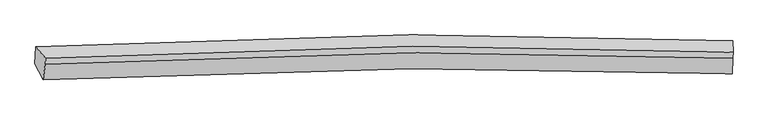
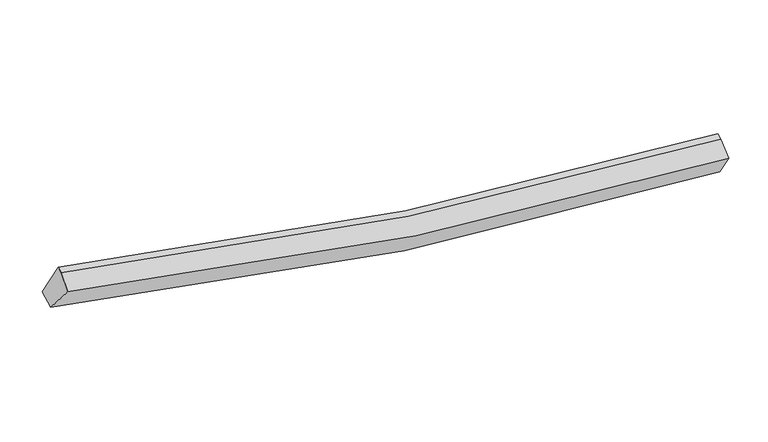
"""IFC4 building model written with IfcOpenShell, lengths in millimetres: proxy geometry."""

import ifcopenshell
import ifcopenshell.guid

model = None  # the IFC model being written
_history = None  # IfcOwnerHistory: only IFC2X3 demands one
_inside = {}  # id of a spatial element -> (the spatial element, [elements in it])
_under = {}  # id of a project, library or spatial element -> (it, [spatial elements below it])
_declared = {}  # id of a project -> (the project, [libraries it declares])
_typed = {}  # id of a type object -> (the type object, [elements of that type])
_made_of = {}  # id of a material, layer set ... -> (it, [elements and type objects made of it])


def new_model(schema):
    """Start an empty IFC model of exactly this schema.

    Asked for "IFC4X3", IfcOpenShell would pick the latest addendum, in which some entities
    have other attributes; the version numbers below select the first issue.
    IFC2X3 requires an IfcOwnerHistory on every rooted entity: one is made here for all.
    """
    global model, _history
    if schema == "IFC4X3":
        model = ifcopenshell.file(schema_version=(4, 3, 0, 0))
    else:
        model = ifcopenshell.file(schema=schema)
    _inside.clear()
    _under.clear()
    _declared.clear()
    _typed.clear()
    _made_of.clear()
    _history = None
    if model.schema == "IFC2X3":
        org = make("IfcOrganization", Name="unknown")
        user = make(
            "IfcPersonAndOrganization",
            ThePerson=make("IfcPerson", FamilyName="unknown"),
            TheOrganization=org,
        )
        app = make(
            "IfcApplication",
            ApplicationDeveloper=org,
            Version="unknown",
            ApplicationFullName="unknown",
            ApplicationIdentifier="unknown",
        )
        _history = make(
            "IfcOwnerHistory",
            OwningUser=user,
            OwningApplication=app,
            ChangeAction="ADDED",
            CreationDate=0,
        )
    return model


def make(cls, **values):
    """One entity of the class cls with the attributes given. An attribute that is None is left unset."""
    return model.create_entity(
        cls, **{name: value for name, value in values.items() if value is not None}
    )


def rooted(cls, **values):
    """An entity with a GlobalId (a new one), such as an element, a storey or a relation."""
    return make(cls, GlobalId=ifcopenshell.guid.new(), OwnerHistory=_history, **values)


def si_unit(unit_type, name, prefix=None):
    """IfcSIUnit, for example si_unit("LENGTHUNIT", "METRE", prefix="MILLI")."""
    return make("IfcSIUnit", UnitType=unit_type, Prefix=prefix, Name=name)


def assignment(units):
    """IfcUnitAssignment: the units of a project."""
    return None if units is None else make("IfcUnitAssignment", Units=units)


def point(xyz):
    """IfcCartesianPoint."""
    return None if xyz is None else make("IfcCartesianPoint", Coordinates=xyz)


def direction(xyz):
    """IfcDirection."""
    return None if xyz is None else make("IfcDirection", DirectionRatios=xyz)


def frame(location, z_axis=None, x_axis=None):
    """IfcAxis2Placement3D, a coordinate frame: its origin and axes. An axis left out is left unset."""
    return make(
        "IfcAxis2Placement3D",
        Location=point(location),
        Axis=direction(z_axis),
        RefDirection=direction(x_axis),
    )


def origin():
    """The frame at (0, 0, 0) with its axes left unset."""
    return frame((0.0, 0.0, 0.0))


def place(relative_to, where):
    """IfcLocalPlacement: puts the frame where relative to a parent placement (None: the world)."""
    return make(
        "IfcLocalPlacement", PlacementRelTo=relative_to, RelativePlacement=where
    )


def context(
    kind, dimensions, precision=None, world=None, true_north=None, identifier=None
):
    """IfcGeometricRepresentationContext, for example the 3D "Model" context."""
    return make(
        "IfcGeometricRepresentationContext",
        ContextIdentifier=identifier,
        ContextType=kind,
        CoordinateSpaceDimension=dimensions,
        Precision=precision,
        WorldCoordinateSystem=world,
        TrueNorth=true_north,
    )


def project(units=None, contexts=None):
    """IfcProject with its units and contexts."""
    return rooted(
        "IfcProject",
        Name="project",
        RepresentationContexts=contexts,
        UnitsInContext=assignment(units),
    )


def spatial(cls, under=None, at=None, **own):
    """A site, building, storey or space (cls), placed at a placement, below another one or the project."""
    s = rooted(cls, ObjectPlacement=at, **own)
    if under is not None:
        _under.setdefault(under.id(), (under, []))[1].append(s)
    return s


def shape(context_of_items, identifier, shape_type, items):
    """IfcShapeRepresentation: the items that make up one representation, for example the "Body"."""
    return make(
        "IfcShapeRepresentation",
        ContextOfItems=context_of_items,
        RepresentationIdentifier=identifier,
        RepresentationType=shape_type,
        Items=items,
    )


def source(mapping_origin, context_of_items, identifier, shape_type, items):
    """IfcRepresentationMap: a shape defined once, which mapped items show again and again."""
    return make(
        "IfcRepresentationMap",
        MappingOrigin=mapping_origin,
        MappedRepresentation=shape(context_of_items, identifier, shape_type, items),
    )


def transform(
    local_origin,
    x_axis=None,
    y_axis=None,
    z_axis=None,
    scale=None,
    scale2=None,
    scale3=None,
    uniform=True,
):
    """IfcCartesianTransformationOperator3D, or its non-uniform kind. x_axis, y_axis, z_axis: its Axis1, 2, 3."""
    if uniform:
        return make(
            "IfcCartesianTransformationOperator3D",
            Axis1=direction(x_axis),
            Axis2=direction(y_axis),
            LocalOrigin=point(local_origin),
            Scale=scale,
            Axis3=direction(z_axis),
        )
    return make(
        "IfcCartesianTransformationOperator3DnonUniform",
        Axis1=direction(x_axis),
        Axis2=direction(y_axis),
        LocalOrigin=point(local_origin),
        Scale=scale,
        Axis3=direction(z_axis),
        Scale2=scale2,
        Scale3=scale3,
    )


def mapped(mapping_source, mapping_target):
    """IfcMappedItem: shows the shape of a source again, moved by a transform."""
    return make(
        "IfcMappedItem", MappingSource=mapping_source, MappingTarget=mapping_target
    )


def made_of(thing, what):
    """Note that an element or type object is made of a material, layer set ...; save() writes the relation."""
    if what is not None:
        _made_of.setdefault(what.id(), (what, []))[1].append(thing)
    return thing


def element(
    cls,
    number,
    at=None,
    inside=None,
    cuts=None,
    type_object=None,
    material=None,
    context=None,
    identifier="Body",
    shape_type=None,
    held_by="IfcProductDefinitionShape",
    body=None,
    shapes=None,
    **own,
):
    """One element of the class cls, such as IfcWall. Its Tag is "e" and its number.

    at: its placement. inside: the storey or other place that contains it. cuts: it is an
    opening in that element (IfcRelVoidsElement). A single representation is given by context,
    identifier, shape_type and body (its items); several are given by shapes. held_by: the class
    of the entity that holds the representations. save() writes the other relations.
    """
    e = rooted(cls, Tag="e%d" % number, ObjectPlacement=at, **own)
    if body is not None:
        shapes = [shape(context, identifier, shape_type, body)]
    if shapes is not None:
        e.Representation = make(held_by, Representations=shapes)
    if inside is not None:
        _inside.setdefault(inside.id(), (inside, []))[1].append(e)
    if cuts is not None:
        rooted(
            "IfcRelVoidsElement", RelatingBuildingElement=cuts, RelatedOpeningElement=e
        )
    if type_object is not None:
        _typed.setdefault(type_object.id(), (type_object, []))[1].append(e)
    return made_of(e, material)


def aggregate(whole, parts):
    """IfcRelAggregates: a whole, such as a stair, and the parts it consists of."""
    return rooted("IfcRelAggregates", RelatingObject=whole, RelatedObjects=parts)


def save(model, path):
    """Write the relations noted so far, then the file.

    IfcRelAggregates (storeys below a building ...), IfcRelContainedInSpatialStructure (elements
    in a storey), IfcRelDefinesByType, IfcRelAssociatesMaterial and IfcRelDeclares: one each for
    every whole, place, type object, material and project.
    """
    for whole, parts in _under.values():
        aggregate(whole, parts)
    for where, things in _inside.values():
        rooted(
            "IfcRelContainedInSpatialStructure",
            RelatedElements=things,
            RelatingStructure=where,
        )
    for kind, things in _typed.values():
        rooted("IfcRelDefinesByType", RelatedObjects=things, RelatingType=kind)
    for what, things in _made_of.values():
        rooted("IfcRelAssociatesMaterial", RelatedObjects=things, RelatingMaterial=what)
    for by, libraries in _declared.values():
        rooted("IfcRelDeclares", RelatingContext=by, RelatedDefinitions=libraries)
    model.write(path)


def plane_surface(at):
    """IfcPlane: the flat surface through the origin of the frame at, square to its z axis."""
    return make("IfcPlane", Position=at)


def spline_curve(degree, points, multiplicities, knots, weights=None):
    """IfcBSplineCurveWithKnots; with weights, IfcRationalBSplineCurveWithKnots."""
    own = dict(
        Degree=degree,
        ControlPointsList=[point(p) for p in points],
        CurveForm="UNSPECIFIED",
        ClosedCurve=False,
        SelfIntersect=False,
        KnotMultiplicities=multiplicities,
        Knots=knots,
        KnotSpec="UNSPECIFIED",
    )
    if weights is None:
        return make("IfcBSplineCurveWithKnots", **own)
    return make("IfcRationalBSplineCurveWithKnots", WeightsData=weights, **own)


def spline_surface(u_degree, v_degree, points, u_multiplicities, v_multiplicities, u_knots, v_knots, weights=None):
    """IfcBSplineSurfaceWithKnots; with weights, IfcRationalBSplineSurfaceWithKnots. points: one row for each step in u."""
    own = dict(
        UDegree=u_degree,
        VDegree=v_degree,
        ControlPointsList=[[point(p) for p in row] for row in points],
        SurfaceForm="UNSPECIFIED",
        UClosed=False,
        VClosed=False,
        SelfIntersect=False,
        UMultiplicities=u_multiplicities,
        VMultiplicities=v_multiplicities,
        UKnots=u_knots,
        VKnots=v_knots,
        KnotSpec="UNSPECIFIED",
    )
    if weights is None:
        return make("IfcBSplineSurfaceWithKnots", **own)
    return make("IfcRationalBSplineSurfaceWithKnots", WeightsData=weights, **own)


def advanced_brep(points, edges, surfaces, faces):
    """IfcAdvancedBrep: a solid bounded by faces that lie on surfaces and meet in shared edges.

    An edge is (start, end): straight between two places in points (the first is 0);
    or (start, end, curve); or (start, end, curve, False) where it runs against its curve.
    A face is (place in surfaces, loops), or (place, loops, False) where it looks against
    its surface's normal. A loop lists edges by number (the first is 1), with a minus sign
    where the edge is run from its end to its start. The first loop is the outer one.
    """
    corners = [point(p) for p in points]
    vertices = [make("IfcVertexPoint", VertexGeometry=c) for c in corners]
    made = []
    for start, end, *more in edges:
        made.append(
            make(
                "IfcEdgeCurve",
                EdgeStart=vertices[start],
                EdgeEnd=vertices[end],
                EdgeGeometry=more[0] if more else make("IfcPolyline", Points=[corners[start], corners[end]]),
                SameSense=more[1] if len(more) > 1 else True,
            )
        )
    hull = []
    for where, loops, *sense in faces:
        bounds = []
        for j, loop in enumerate(loops):
            ring = [make("IfcOrientedEdge", EdgeElement=made[abs(k) - 1], Orientation=k > 0) for k in loop]
            bounds.append(
                make(
                    "IfcFaceOuterBound" if j == 0 else "IfcFaceBound",
                    Bound=make("IfcEdgeLoop", EdgeList=ring),
                    Orientation=True,
                )
            )
        hull.append(make("IfcAdvancedFace", Bounds=bounds, FaceSurface=surfaces[where], SameSense=sense[0] if sense else True))
    return make("IfcAdvancedBrep", Outer=make("IfcClosedShell", CfsFaces=hull))


def generic_models_e59d2773(model_context):
    return source(origin(), model_context, "Body", "AdvancedBrep", [
        advanced_brep(
        [(-7105.2175768, -2545.6443638, 4419.2858514), (-7279.9258548, -2199.2543012, 3910.2760852), (7665.6017962, -2068.9107971, 1777.4427727), (7663.6216238, -2417.4813768, 2314.1872462), (-7057.6102686, -2215.3548119, 4649.0387774), (7680.7462382, -2087.5680127, 2548.725027), (-7051.7242767, -2083.9110228, 4696.8706226), (7686.6322301, -1956.1242236, 2596.5568722), (-7260.4296465, -1840.0379047, 4052.3801487), (7681.9299531, -1709.7334975, 1920.0441238)],
        [
            (0, 1),
            (1, 2, spline_curve(3, [(-7279.9258548, -2199.2543012, 3910.2760852), (-4638.526278019, -2051.452943726, 3191.002818043), (-1974.626467263, -1970.652710264, 2652.892707002), (3013.2027504, -1945.031953608, 1990.150590867), (5331.145489685, -1982.384352305, 1817.316264563), (7665.6017962, -2068.9107971, 1777.4427727)], [4, 2, 4], [0.0, 26.593890226897955, 49.37677948578372])),
            (2, 3),
            (3, 0, spline_curve(3, [(7663.6216238, -2417.4813768, 2314.1872462), (5350.107556416, -2332.020505203, 2354.411907442), (3055.983005766, -2295.08727162, 2525.467147374), (-1873.992680377, -2320.215531112, 3179.736642665), (-4502.8145307, -2399.869760386, 3710.380938361), (-7105.2175768, -2545.6443638, 4419.2858514)], [4, 2, 4], [0.0, 22.782889258885767, 49.37677948578372])),
            (4, 0),
            (3, 5),
            (5, 4, spline_curve(3, [(7680.7462382, -2087.5680127, 2548.725027), (5371.235477068, -1993.574861503, 2592.182030066), (3081.430308857, -1952.019522176, 2764.638617953), (-1838.499067071, -1975.604829768, 3417.976953467), (-4461.479400586, -2059.755768895, 3945.624949086), (-7057.6102686, -2215.3548119, 4649.0387774)], [4, 2, 4], [0.0, 22.623668828261973, 49.031705074754996])),
            (6, 4),
            (5, 7),
            (7, 6, spline_curve(3, [(7686.6322301, -1956.1242236, 2596.5568722), (5377.121468881, -1862.131072104, 2640.013875892), (3087.316300884, -1820.575733022, 2812.470463704), (-1832.613075102, -1844.161040949, 3465.808798025), (-4455.593409134, -1928.311979725, 3993.456793813), (-7051.7242767, -2083.9110228, 4696.8706226)], [4, 2, 4], [0.0, 22.600283682152288, 48.98102303923352])),
            (8, 6),
            (7, 9),
            (9, 8, spline_curve(3, [(7681.9299531, -1709.7334975, 1920.0441238), (5348.239447395, -1614.510044048, 1963.095670011), (3030.933986484, -1572.470740339, 2137.606377042), (-1955.792620821, -1596.624680643, 2800.727132592), (-4619.27369219, -1682.098787597, 3336.995100223), (-7260.4296465, -1840.0379047, 4052.3801487)], [4, 2, 4], [0.0, 22.757083811957706, 49.32085199353196])),
            (1, 8),
            (9, 2),
        ],
        [
            spline_surface(3, 3, [[(-7105.2175768, -2545.6443638, 4419.2858514), (-4502.814530377, -2399.869760626, 3710.38093843), (-1873.99268047, -2320.215531393, 3179.736643032), (3055.983005845, -2295.08727138, 2525.46714706), (5350.107556116, -2332.020504941, 2354.411907419), (7663.6216238, -2417.4813768, 2314.1872462)], [(-7163.453669474, -2430.181009587, 4249.61592933), (-4548.051779737, -2283.730821683, 3537.254898311), (-1907.537276053, -2203.69459103, 3004.121997692), (3041.722920726, -2178.402165438, 2347.028294999), (5343.786867269, -2215.475120737, 2175.380026435), (7664.281681271, -2301.291183544, 2135.272421699)], [(-7221.689762126, -2314.717655413, 4079.94600727), (-4593.289029075, -2167.591882778, 3364.128858201), (-1941.081871704, -2087.173650678, 2828.507352341), (3027.462835539, -2061.717059505, 2168.589442927), (5337.466178409, -2098.929736601, 1996.348145454), (7664.941738729, -2185.100990356, 1956.357597201)], [(-7279.9258548, -2199.2543012, 3910.2760852), (-4638.526278435, -2051.452943835, 3191.002818081), (-1974.626467287, -1970.652710316, 2652.892707002), (3013.202750421, -1945.031953563, 1990.150590867), (5331.145489562, -1982.384352397, 1817.316264469), (7665.6017962, -2068.9107971, 1777.4427727)]], [4, 4], [4, 2, 4], [0.0, 2.0993437087560958], [0.0, 26.593890226897955, 49.37677948578372]),
            spline_surface(3, 3, [[(-7057.6102686, -2215.3548119, 4649.0387774), (-4461.479400856, -2059.755769028, 3945.624948929), (-1838.499066792, -1975.604829941, 3417.976953218), (3081.430308618, -1952.019522028, 2764.638618167), (5371.235476841, -1993.574861388, 2592.182030395), (7680.7462382, -2087.5680127, 2548.725027)], [(-7073.47937133, -2325.451329217, 4572.45446875), (-4475.25777736, -2173.127099578, 3867.21027878), (-1850.330271369, -2090.475063749, 3338.5635165), (3072.947874342, -2066.375438469, 2684.914794475), (5364.192836624, -2106.390075928, 2512.925322731), (7675.038033424, -2197.53913409, 2470.545766728)], [(-7089.34847407, -2435.547846483, 4495.87016005), (-4489.036153874, -2286.498430077, 3788.79560858), (-1862.161475892, -2205.345297585, 3259.15007975), (3064.465440121, -2180.731354939, 2605.190970752), (5357.150196333, -2219.2052904, 2433.668615083), (7669.329828576, -2307.51025541, 2392.366506472)], [(-7105.2175768, -2545.6443638, 4419.2858514), (-4502.814530377, -2399.869760626, 3710.38093843), (-1873.99268047, -2320.215531393, 3179.736643032), (3055.983005845, -2295.08727138, 2525.46714706), (5350.107556116, -2332.020504941, 2354.411907419), (7663.6216238, -2417.4813768, 2314.1872462)]], [4, 4], [4, 2, 4], [0.0, 1.3769972957160885], [0.0, 26.408036246493023, 49.031705074754996]),
            spline_surface(3, 3, [[(-7051.7242767, -2083.9110228, 4696.8706226), (-4455.593408956, -1928.311979928, 3993.456794129), (-1832.613074792, -1844.161040941, 3465.808798418), (3087.316300618, -1820.575733028, 2812.470463367), (5377.121468741, -1862.131072288, 2640.013875595), (7686.6322301, -1956.1242236, 2596.5568722)], [(-7053.686274008, -2127.725619155, 4680.926674199), (-4457.555406264, -1972.126576283, 3977.512845728), (-1834.5750721, -1887.975637296, 3449.864850016), (3085.35430331, -1864.390329383, 2796.526514966), (5375.159471433, -1905.945668642, 2624.069927193), (7684.670232792, -1999.938819955, 2580.612923799)], [(-7055.648271292, -2171.540215545, 4664.982725801), (-4459.517403548, -2015.941172673, 3961.56889733), (-1836.537069484, -1931.790233587, 3433.920901619), (3083.392305926, -1908.204925673, 2780.582566568), (5373.197474149, -1949.760265033, 2608.125978796), (7682.708235508, -2043.753416345, 2564.668975401)], [(-7057.6102686, -2215.3548119, 4649.0387774), (-4461.479400856, -2059.755769028, 3945.624948929), (-1838.499066792, -1975.604829941, 3417.976953218), (3081.430308618, -1952.019522028, 2764.638618167), (5371.235476841, -1993.574861388, 2592.182030395), (7680.7462382, -2087.5680127, 2548.725027)]], [4, 4], [4, 2, 4], [0.0, 0.45931758530183675], [0.0, 26.380739357081232, 48.98102303923352]),
            spline_surface(3, 3, [[(-7260.4296465, -1840.0379047, 4052.3801487), (-4619.273692528, -1682.098787407, 3336.995100217), (-1955.792620626, -1596.624680893, 2800.727132585), (3030.933986317, -1572.470740124, 2137.606377048), (5348.239447643, -1614.510044178, 1963.095669715), (7681.9299531, -1709.7334975, 1920.0441238)], [(-7190.861189911, -1921.328944085, 4267.210306647), (-4564.713598016, -1764.169851599, 3555.815664835), (-1914.732772041, -1679.136800914, 3022.421021183), (3049.728091058, -1655.17240443, 2362.561072474), (5357.866788001, -1697.050386865, 2188.735071665), (7683.497378759, -1791.863739518, 2145.548373256)], [(-7121.292733289, -2002.619983415, 4482.040464653), (-4510.153503469, -1846.240915736, 3774.636229511), (-1873.672923377, -1761.648920921, 3244.11490982), (3068.522195877, -1737.874068722, 2587.51576794), (5367.494128382, -1779.5907296, 2414.374473645), (7685.064804441, -1873.993981582, 2371.052622744)], [(-7051.7242767, -2083.9110228, 4696.8706226), (-4455.593408956, -1928.311979928, 3993.456794129), (-1832.613074792, -1844.161040941, 3465.808798418), (3087.316300618, -1820.575733028, 2812.470463367), (5377.121468741, -1862.131072288, 2640.013875595), (7686.6322301, -1956.1242236, 2596.5568722)]], [4, 4], [4, 2, 4], [0.0, 2.361738055289482], [0.0, 26.563768181574254, 49.32085199353196]),
            spline_surface(3, 3, [[(-7279.9258548, -2199.2543012, 3910.2760852), (-4638.526278435, -2051.452943835, 3191.002818081), (-1974.626467287, -1970.652710316, 2652.892707002), (3013.202750421, -1945.031953563, 1990.150590867), (5331.145489562, -1982.384352397, 1817.316264469), (7665.6017962, -2068.9107971, 1777.4427727)], [(-7273.427118677, -2079.515502356, 3957.644106374), (-4632.108749777, -1928.334891682, 3239.666912134), (-1968.348518404, -1845.976700495, 2702.170848863), (3019.113162382, -1820.844882404, 2039.302519594), (5336.843475576, -1859.759583018, 1865.909399569), (7671.044515154, -1949.185030594, 1824.976556418)], [(-7266.928382623, -1959.776703544, 4005.012127526), (-4625.691221187, -1805.21683956, 3288.331006165), (-1962.070569509, -1721.300690714, 2751.448990724), (3025.023574356, -1696.657811284, 2088.45444832), (5342.541461629, -1737.134813557, 1914.502534615), (7676.487234146, -1829.459264006, 1872.510340082)], [(-7260.4296465, -1840.0379047, 4052.3801487), (-4619.273692528, -1682.098787407, 3336.995100217), (-1955.792620626, -1596.624680893, 2800.727132585), (3030.933986317, -1572.470740124, 2137.606377048), (5348.239447643, -1614.510044178, 1963.095669715), (7681.9299531, -1709.7334975, 1920.0441238)]], [4, 4], [4, 2, 4], [0.0, 1.3184986602853148], [0.0, 26.74958848233939, 49.66586387169569]),
            plane_surface(frame((7675.7063683, -2047.9635815, 2231.3912084), z_axis=(0.9990944649198663, -0.03727212290406513, -0.020519235383186618), x_axis=(-0.04204279945487683, -0.9388842075992572, -0.34165603717000537))),
            plane_surface(frame((-7150.9815247, -2176.8404809, 4345.570297), z_axis=(-0.9561425707761955, -0.06140175809458544, 0.2863934504355539), x_axis=(0.2729816844073929, -0.541234472871667, 0.7953277597025212))),
        ],
        [
            (0, [[1, 2, 3, 4]]),
            (1, [[5, -4, 6, 7]]),
            (2, [[8, -7, 9, 10]]),
            (3, [[11, -10, 12, 13]]),
            (4, [[14, -13, 15, -2]]),
            (5, [[-9, -6, -3, -15, -12]]),
            (6, [[-1, -5, -8, -11, -14]]),
        ],
    ),
    ])


if __name__ == "__main__":
    model = new_model("IFC4")
    model_context = context("Model", 3, world=origin())
    ifc_project = project(units=[si_unit("LENGTHUNIT", "METRE", prefix="MILLI")], contexts=[model_context])
    site = spatial("IfcSite", under=ifc_project)
    building = spatial("IfcBuilding", under=site)
    placement = place(None, origin())
    generic_models_shape = generic_models_e59d2773(model_context)
    element("IfcBuildingElementProxy", 1, Name="Generic Models", at=placement, inside=building, context=model_context, shape_type="MappedRepresentation", body=[
        mapped(generic_models_shape, transform((0.0, 0.0, 0.0), x_axis=(1.0, 0.0, 0.0), y_axis=(0.0, 1.0, 0.0), z_axis=(0.0, 0.0, 1.0))),
    ])
    save(model, "model.ifc")
